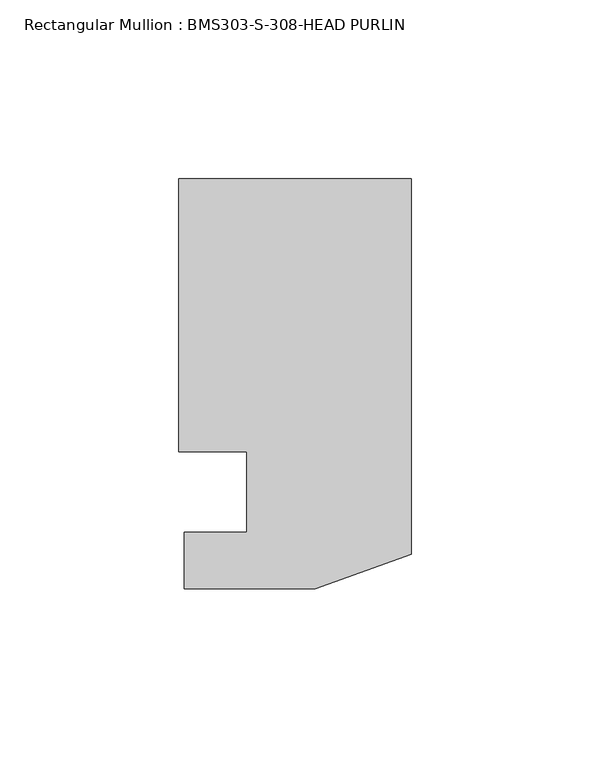
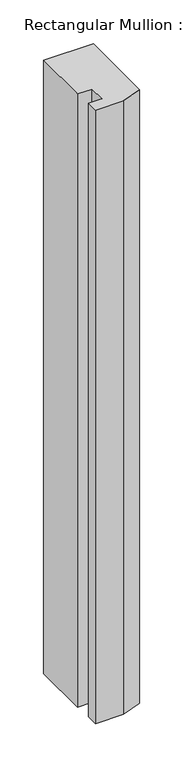
"""IFC4 building model written with IfcOpenShell, lengths in millimetres: member geometry, Rectangular Mullion : BMS303-S-308-HEAD PURLIN."""

from ifc_helpers import new_model, si_unit, frame, origin, place, context, project, spatial, polyline, outline, extrude, source, transform, mapped, element, save


def rectangular_mullion_bms303_s_308_head_purlin_08a8f70e(model_context):
    return source(origin(), model_context, "Body", "SweptSolid", [
        extrude(outline(polyline([(-46.0375, 62.309375), (-65.0748, 62.309375), (-65.0748, 138.839575), (0.0, 138.839575), (0.0, 33.734375), (-26.8478, 23.980775), (-63.5, 23.980775), (-63.5, 39.830375), (-46.0375, 39.830375), (-46.0375, 62.309375)])), frame((0.0, 0.0, -850.9), z_axis=(0.0, 0.0, 1.0), x_axis=(1.0, 0.0, 0.0)), (0.0, 0.0, 1.0), 850.9),
    ])


if __name__ == "__main__":
    model = new_model("IFC4")
    model_context = context("Model", 3, world=origin())
    ifc_project = project(units=[si_unit("LENGTHUNIT", "METRE", prefix="MILLI")], contexts=[model_context])
    site = spatial("IfcSite", under=ifc_project)
    building = spatial("IfcBuilding", under=site)
    placement = place(None, origin())
    rectangular_mullion_bms303_s_308_head_purlin_shape = rectangular_mullion_bms303_s_308_head_purlin_08a8f70e(model_context)
    element("IfcMember", 1, ObjectType="Rectangular Mullion : BMS303-S-308-HEAD PURLIN", at=placement, inside=building, context=model_context, shape_type="MappedRepresentation", body=[
        mapped(rectangular_mullion_bms303_s_308_head_purlin_shape, transform((0.0, 0.0, 0.0), x_axis=(1.0, 0.0, 0.0), y_axis=(0.0, 1.0, 0.0), z_axis=(0.0, 0.0, 1.0))),
    ])
    save(model, "model.ifc")
